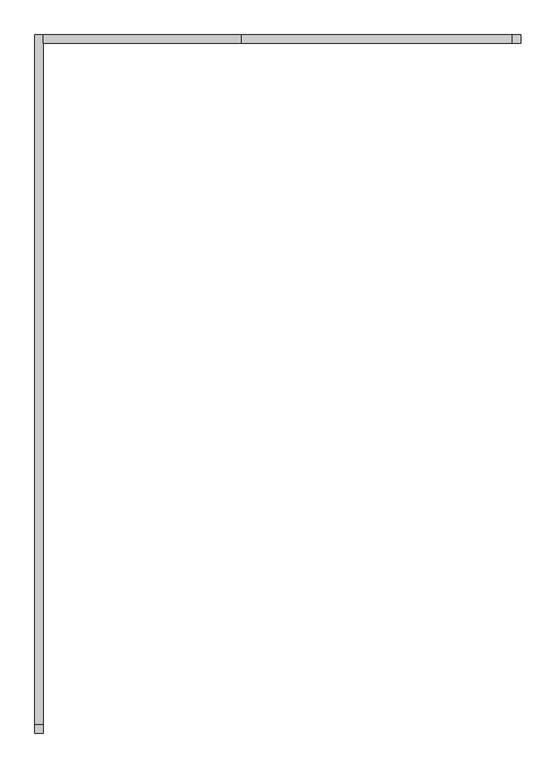
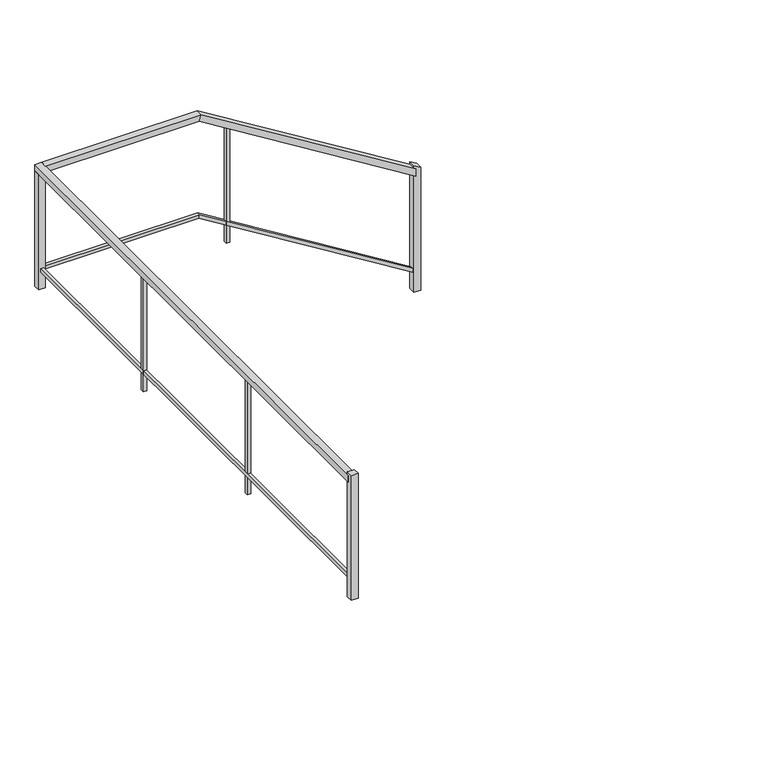
"""IFC4 building model written with IfcOpenShell, lengths in millimetres: railing geometry."""

from ifc_helpers import new_model, si_unit, frame, origin, place, context, project, spatial, polyline, outline, extrude, faceted_brep, source, transform, mapped, element, save


def railing_f736f30f(model_context):
    return source(origin(), model_context, "Body", "SolidModel", [
        faceted_brep([(-18278.6629276, 122259.0501734, -1497.5192602), (-18278.6629276, 122208.2501734, -1497.5192602), (-18278.6629276, 122208.2501734, -1557.2175819), (-18278.6629276, 122259.0501734, -1557.2175819), (-19903.4550081, 122259.0501734, -494.6), (-19903.4550081, 122208.2501734, -494.6), (-19917.870847, 122208.2501734, -545.4), (-19917.870847, 122259.0501734, -545.4), (-21085.9608904, 122259.0501734, -494.6), (-21085.9608904, 122259.0501734, -545.4), (-21085.9608904, 122208.2501734, -545.4), (-21085.9608904, 122208.2501734, -494.6)], [[[0, 1, 2, 3]], [[1, 0, 4, 5]], [[2, 1, 5, 6]], [[3, 2, 6, 7]], [[0, 3, 7, 4]], [[8, 9, 10, 11]], [[5, 4, 8, 11]], [[6, 5, 11, 10]], [[7, 6, 10, 9]], [[4, 7, 9, 8]]]),
        faceted_brep([(-21136.7608904, 122259.0501734, -494.6), (-21085.9608904, 122259.0501734, -494.6), (-21085.9608904, 122259.0501734, -545.4), (-21136.7608904, 122259.0501734, -545.4), (-21136.7608904, 118139.1105079, -494.6), (-21136.7608904, 118139.1105079, -545.4), (-21085.9608904, 118139.1105079, -545.4), (-21085.9608904, 118139.1105079, -494.6)], [[[0, 1, 2, 3]], [[4, 5, 6, 7]], [[1, 0, 4, 7]], [[2, 1, 7, 6]], [[3, 2, 6, 5]], [[0, 3, 5, 4]]]),
        faceted_brep([(-18278.6629276, 122246.3501734, -2310.0438406), (-18278.6629276, 122220.9501734, -2310.0438406), (-18278.6629276, 122220.9501734, -2339.8930015), (-18278.6629276, 122246.3501734, -2339.8930015), (-19907.0589678, 122246.3501734, -1304.9), (-19907.0589678, 122220.9501734, -1304.9), (-19914.2668873, 122220.9501734, -1330.3), (-19914.2668873, 122246.3501734, -1330.3), (-21098.6608904, 122246.3501734, -1304.9), (-21098.6608904, 122246.3501734, -1330.3), (-21098.6608904, 122220.9501734, -1330.3), (-21098.6608904, 122220.9501734, -1304.9)], [[[0, 1, 2, 3]], [[1, 0, 4, 5]], [[2, 1, 5, 6]], [[3, 2, 6, 7]], [[0, 3, 7, 4]], [[8, 9, 10, 11]], [[5, 4, 8, 11]], [[6, 5, 11, 10]], [[7, 6, 10, 9]], [[4, 7, 9, 8]]]),
        faceted_brep([(-21124.0608904, 122246.3501734, -1304.9), (-21098.6608904, 122246.3501734, -1304.9), (-21098.6608904, 122246.3501734, -1330.3), (-21124.0608904, 122246.3501734, -1330.3), (-21124.0608904, 118139.1105079, -1304.9), (-21124.0608904, 118139.1105079, -1330.3), (-21098.6608904, 118139.1105079, -1330.3), (-21098.6608904, 118139.1105079, -1304.9)], [[[0, 1, 2, 3]], [[4, 5, 6, 7]], [[1, 0, 4, 7]], [[2, 1, 7, 6]], [[3, 2, 6, 5]], [[0, 3, 5, 4]]]),
        extrude(outline(polyline([(-21098.6608904, 119516.6570631), (-21098.6608904, 119491.2570631), (-21124.0608904, 119491.2570631), (-21124.0608904, 119516.6570631), (-21098.6608904, 119516.6570631)])), frame((0.0, 0.0, -1470.0), z_axis=(0.0, 0.0, 1.0), x_axis=(1.0, 0.0, 0.0)), (0.0, 0.0, 1.0), 962.7),
        extrude(outline(polyline([(-21098.6608904, 120881.5036183), (-21098.6608904, 120856.1036183), (-21124.0608904, 120856.1036183), (-21124.0608904, 120881.5036183), (-21098.6608904, 120881.5036183)])), frame((0.0, 0.0, -1470.0), z_axis=(0.0, 0.0, 1.0), x_axis=(1.0, 0.0, 0.0)), (0.0, 0.0, 1.0), 962.7),
        extrude(outline(polyline([(-648.2519639, -19682.311909), (-632.5735583, -19707.711909), (-1603.1127611, -19707.711909), (-1603.1127611, -19682.311909), (-648.2519639, -19682.311909)])), frame((0.0, 122220.9501734, 0.0), z_axis=(0.0, 1.0, 0.0), x_axis=(0.0, 0.0, 1.0)), (0.0, 0.0, 1.0), 25.4),
        extrude(outline(polyline([(-21085.9608904, 122208.2501734), (-21136.7608904, 122208.2501734), (-21136.7608904, 122259.0501734), (-21085.9608904, 122259.0501734), (-21085.9608904, 122208.2501734)])), frame((0.0, 0.0, -1470.0), z_axis=(0.0, 0.0, 1.0), x_axis=(1.0, 0.0, 0.0)), (0.0, 0.0, 1.0), 924.6),
        extrude(outline(polyline([(-21085.9608904, 118151.8105079), (-21085.9608904, 118101.0105079), (-21136.7608904, 118101.0105079), (-21136.7608904, 118151.8105079), (-21085.9608904, 118151.8105079)])), frame((0.0, 0.0, -1470.0), z_axis=(0.0, 0.0, 1.0), x_axis=(1.0, 0.0, 0.0)), (0.0, 0.0, 1.0), 1000.9),
        extrude(outline(polyline([(-1499.9860294, -18240.5629276), (-1468.6292183, -18291.3629276), (-2485.2076238, -18291.3629276), (-2485.2076238, -18240.5629276), (-1499.9860294, -18240.5629276)])), frame((0.0, 122208.2501734, 0.0), z_axis=(0.0, 1.0, 0.0), x_axis=(0.0, 0.0, 1.0)), (0.0, 0.0, 1.0), 50.8),
    ])


if __name__ == "__main__":
    model = new_model("IFC4")
    model_context = context("Model", 3, world=origin())
    ifc_project = project(units=[si_unit("LENGTHUNIT", "METRE", prefix="MILLI")], contexts=[model_context])
    site = spatial("IfcSite", under=ifc_project)
    building = spatial("IfcBuilding", under=site)
    placement = place(None, origin())
    railing_shape = railing_f736f30f(model_context)
    element("IfcRailing", 1, at=placement, inside=building, context=model_context, shape_type="MappedRepresentation", body=[
        mapped(railing_shape, transform((0.0, 0.0, 0.0), x_axis=(1.0, 0.0, 0.0), y_axis=(0.0, 1.0, 0.0), z_axis=(0.0, 0.0, 1.0))),
    ])
    save(model, "model.ifc")
